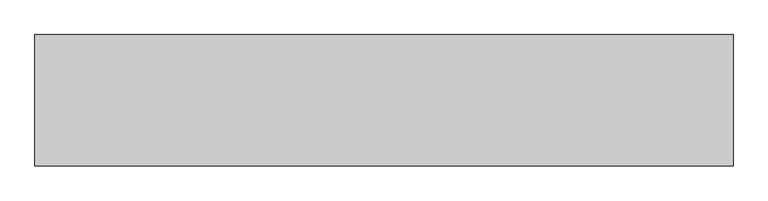
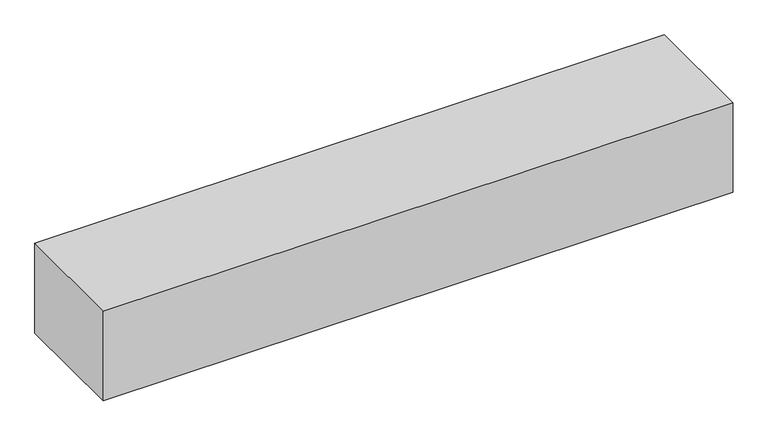
"""IFC4 building model written with IfcOpenShell, lengths in millimetres: geographic element geometry."""

import ifcopenshell
import ifcopenshell.guid

model = None  # the IFC model being written
_history = None  # IfcOwnerHistory: only IFC2X3 demands one
_inside = {}  # id of a spatial element -> (the spatial element, [elements in it])
_under = {}  # id of a project, library or spatial element -> (it, [spatial elements below it])
_declared = {}  # id of a project -> (the project, [libraries it declares])
_typed = {}  # id of a type object -> (the type object, [elements of that type])
_made_of = {}  # id of a material, layer set ... -> (it, [elements and type objects made of it])


def new_model(schema):
    """Start an empty IFC model of exactly this schema.

    Asked for "IFC4X3", IfcOpenShell would pick the latest addendum, in which some entities
    have other attributes; the version numbers below select the first issue.
    IFC2X3 requires an IfcOwnerHistory on every rooted entity: one is made here for all.
    """
    global model, _history
    if schema == "IFC4X3":
        model = ifcopenshell.file(schema_version=(4, 3, 0, 0))
    else:
        model = ifcopenshell.file(schema=schema)
    _inside.clear()
    _under.clear()
    _declared.clear()
    _typed.clear()
    _made_of.clear()
    _history = None
    if model.schema == "IFC2X3":
        org = make("IfcOrganization", Name="unknown")
        user = make(
            "IfcPersonAndOrganization",
            ThePerson=make("IfcPerson", FamilyName="unknown"),
            TheOrganization=org,
        )
        app = make(
            "IfcApplication",
            ApplicationDeveloper=org,
            Version="unknown",
            ApplicationFullName="unknown",
            ApplicationIdentifier="unknown",
        )
        _history = make(
            "IfcOwnerHistory",
            OwningUser=user,
            OwningApplication=app,
            ChangeAction="ADDED",
            CreationDate=0,
        )
    return model


def make(cls, **values):
    """One entity of the class cls with the attributes given. An attribute that is None is left unset."""
    return model.create_entity(
        cls, **{name: value for name, value in values.items() if value is not None}
    )


def rooted(cls, **values):
    """An entity with a GlobalId (a new one), such as an element, a storey or a relation."""
    return make(cls, GlobalId=ifcopenshell.guid.new(), OwnerHistory=_history, **values)


def si_unit(unit_type, name, prefix=None):
    """IfcSIUnit, for example si_unit("LENGTHUNIT", "METRE", prefix="MILLI")."""
    return make("IfcSIUnit", UnitType=unit_type, Prefix=prefix, Name=name)


def assignment(units):
    """IfcUnitAssignment: the units of a project."""
    return None if units is None else make("IfcUnitAssignment", Units=units)


def point(xyz):
    """IfcCartesianPoint."""
    return None if xyz is None else make("IfcCartesianPoint", Coordinates=xyz)


def direction(xyz):
    """IfcDirection."""
    return None if xyz is None else make("IfcDirection", DirectionRatios=xyz)


def frame(location, z_axis=None, x_axis=None):
    """IfcAxis2Placement3D, a coordinate frame: its origin and axes. An axis left out is left unset."""
    return make(
        "IfcAxis2Placement3D",
        Location=point(location),
        Axis=direction(z_axis),
        RefDirection=direction(x_axis),
    )


def origin():
    """The frame at (0, 0, 0) with its axes left unset."""
    return frame((0.0, 0.0, 0.0))


def origin_with_axes():
    """The frame at (0, 0, 0) with the z axis (0, 0, 1) and the x axis (1, 0, 0) written out."""
    return frame((0.0, 0.0, 0.0), z_axis=(0.0, 0.0, 1.0), x_axis=(1.0, 0.0, 0.0))


def place(relative_to, where):
    """IfcLocalPlacement: puts the frame where relative to a parent placement (None: the world)."""
    return make(
        "IfcLocalPlacement", PlacementRelTo=relative_to, RelativePlacement=where
    )


def context(
    kind, dimensions, precision=None, world=None, true_north=None, identifier=None
):
    """IfcGeometricRepresentationContext, for example the 3D "Model" context."""
    return make(
        "IfcGeometricRepresentationContext",
        ContextIdentifier=identifier,
        ContextType=kind,
        CoordinateSpaceDimension=dimensions,
        Precision=precision,
        WorldCoordinateSystem=world,
        TrueNorth=true_north,
    )


def project(units=None, contexts=None):
    """IfcProject with its units and contexts."""
    return rooted(
        "IfcProject",
        Name="project",
        RepresentationContexts=contexts,
        UnitsInContext=assignment(units),
    )


def spatial(cls, under=None, at=None, **own):
    """A site, building, storey or space (cls), placed at a placement, below another one or the project."""
    s = rooted(cls, ObjectPlacement=at, **own)
    if under is not None:
        _under.setdefault(under.id(), (under, []))[1].append(s)
    return s


def polyline(points):
    """IfcPolyline through the points."""
    return make("IfcPolyline", Points=[point(p) for p in points])


def outline(outer, holes=None, kind="AREA"):
    """IfcArbitraryClosedProfileDef: a profile drawn as a closed curve; with holes, ...WithVoids."""
    if holes is None:
        return make("IfcArbitraryClosedProfileDef", ProfileType=kind, OuterCurve=outer)
    return make(
        "IfcArbitraryProfileDefWithVoids",
        ProfileType=kind,
        OuterCurve=outer,
        InnerCurves=holes,
    )


def extrude(swept, where, along, depth):
    """IfcExtrudedAreaSolid: the profile swept, set in the frame where, extruded along a direction by depth."""
    return make(
        "IfcExtrudedAreaSolid",
        SweptArea=swept,
        Position=where,
        ExtrudedDirection=direction(along),
        Depth=depth,
    )


def shape(context_of_items, identifier, shape_type, items):
    """IfcShapeRepresentation: the items that make up one representation, for example the "Body"."""
    return make(
        "IfcShapeRepresentation",
        ContextOfItems=context_of_items,
        RepresentationIdentifier=identifier,
        RepresentationType=shape_type,
        Items=items,
    )


def source(mapping_origin, context_of_items, identifier, shape_type, items):
    """IfcRepresentationMap: a shape defined once, which mapped items show again and again."""
    return make(
        "IfcRepresentationMap",
        MappingOrigin=mapping_origin,
        MappedRepresentation=shape(context_of_items, identifier, shape_type, items),
    )


def transform(
    local_origin,
    x_axis=None,
    y_axis=None,
    z_axis=None,
    scale=None,
    scale2=None,
    scale3=None,
    uniform=True,
):
    """IfcCartesianTransformationOperator3D, or its non-uniform kind. x_axis, y_axis, z_axis: its Axis1, 2, 3."""
    if uniform:
        return make(
            "IfcCartesianTransformationOperator3D",
            Axis1=direction(x_axis),
            Axis2=direction(y_axis),
            LocalOrigin=point(local_origin),
            Scale=scale,
            Axis3=direction(z_axis),
        )
    return make(
        "IfcCartesianTransformationOperator3DnonUniform",
        Axis1=direction(x_axis),
        Axis2=direction(y_axis),
        LocalOrigin=point(local_origin),
        Scale=scale,
        Axis3=direction(z_axis),
        Scale2=scale2,
        Scale3=scale3,
    )


def mapped(mapping_source, mapping_target):
    """IfcMappedItem: shows the shape of a source again, moved by a transform."""
    return make(
        "IfcMappedItem", MappingSource=mapping_source, MappingTarget=mapping_target
    )


def made_of(thing, what):
    """Note that an element or type object is made of a material, layer set ...; save() writes the relation."""
    if what is not None:
        _made_of.setdefault(what.id(), (what, []))[1].append(thing)
    return thing


def element(
    cls,
    number,
    at=None,
    inside=None,
    cuts=None,
    type_object=None,
    material=None,
    context=None,
    identifier="Body",
    shape_type=None,
    held_by="IfcProductDefinitionShape",
    body=None,
    shapes=None,
    **own,
):
    """One element of the class cls, such as IfcWall. Its Tag is "e" and its number.

    at: its placement. inside: the storey or other place that contains it. cuts: it is an
    opening in that element (IfcRelVoidsElement). A single representation is given by context,
    identifier, shape_type and body (its items); several are given by shapes. held_by: the class
    of the entity that holds the representations. save() writes the other relations.
    """
    e = rooted(cls, Tag="e%d" % number, ObjectPlacement=at, **own)
    if body is not None:
        shapes = [shape(context, identifier, shape_type, body)]
    if shapes is not None:
        e.Representation = make(held_by, Representations=shapes)
    if inside is not None:
        _inside.setdefault(inside.id(), (inside, []))[1].append(e)
    if cuts is not None:
        rooted(
            "IfcRelVoidsElement", RelatingBuildingElement=cuts, RelatedOpeningElement=e
        )
    if type_object is not None:
        _typed.setdefault(type_object.id(), (type_object, []))[1].append(e)
    return made_of(e, material)


def aggregate(whole, parts):
    """IfcRelAggregates: a whole, such as a stair, and the parts it consists of."""
    return rooted("IfcRelAggregates", RelatingObject=whole, RelatedObjects=parts)


def save(model, path):
    """Write the relations noted so far, then the file.

    IfcRelAggregates (storeys below a building ...), IfcRelContainedInSpatialStructure (elements
    in a storey), IfcRelDefinesByType, IfcRelAssociatesMaterial and IfcRelDeclares: one each for
    every whole, place, type object, material and project.
    """
    for whole, parts in _under.values():
        aggregate(whole, parts)
    for where, things in _inside.values():
        rooted(
            "IfcRelContainedInSpatialStructure",
            RelatedElements=things,
            RelatingStructure=where,
        )
    for kind, things in _typed.values():
        rooted("IfcRelDefinesByType", RelatedObjects=things, RelatingType=kind)
    for what, things in _made_of.values():
        rooted("IfcRelAssociatesMaterial", RelatedObjects=things, RelatingMaterial=what)
    for by, libraries in _declared.values():
        rooted("IfcRelDeclares", RelatingContext=by, RelatedDefinitions=libraries)
    model.write(path)


def geographic_element_877a311b(model_context):
    return source(origin(), model_context, "Body", "SweptSolid", [
        extrude(outline(polyline([(0.0, 0.0), (0.0, 500.0), (2659.6792207, 500.0), (2659.6792207, 0.0), (0.0, 0.0)])), origin_with_axes(), (0.0, 0.0, 1.0), 400.0),
    ])


if __name__ == "__main__":
    model = new_model("IFC4")
    model_context = context("Model", 3, world=origin())
    ifc_project = project(units=[si_unit("LENGTHUNIT", "METRE", prefix="MILLI")], contexts=[model_context])
    site = spatial("IfcSite", under=ifc_project)
    building = spatial("IfcBuilding", under=site)
    placement = place(None, origin())
    geographic_element_shape = geographic_element_877a311b(model_context)
    element("IfcGeographicElement", 1, at=placement, inside=building, context=model_context, shape_type="MappedRepresentation", body=[
        mapped(geographic_element_shape, transform((0.0, 0.0, 0.0), x_axis=(1.0, 0.0, 0.0), y_axis=(0.0, 1.0, 0.0), z_axis=(0.0, 0.0, 1.0))),
    ])
    save(model, "model.ifc")
